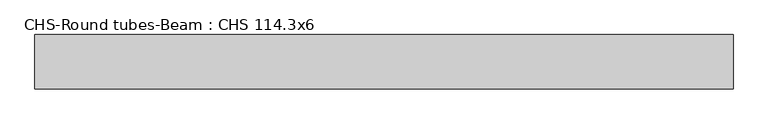
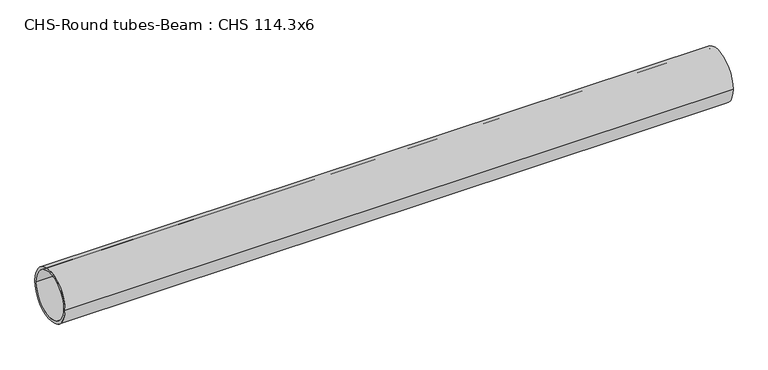
"""IFC4 building model written with IfcOpenShell, lengths in millimetres: beam geometry, CHS-Round tubes-Beam : CHS 114.3x6."""

from ifc_helpers import new_model, si_unit, point, frame, origin, origin_2d, place, context, project, spatial, circle_curve, trimmed, segment, composite_curve, outline, extrude, source, transform, mapped, element, save


def chs_round_tubes_beam_chs_114_3x6_262bc41e(model_context):
    return source(origin(), model_context, "Body", "SweptSolid", [
        extrude(outline(composite_curve([segment(trimmed(circle_curve(origin_2d(), 57.15), [point((57.15, 0.0))], [point((-57.15, 0.0))], False, "CARTESIAN"), True, "CONTINUOUS"), segment(trimmed(circle_curve(origin_2d(), 57.15), [point((-57.15, 0.0))], [point((57.15, 0.0))], False, "CARTESIAN"), True, "CONTINUOUS")], self_intersect=False), holes=[composite_curve([segment(trimmed(circle_curve(origin_2d(), 51.15), [point((51.15, 0.0))], [point((-51.15, 0.0))], True, "CARTESIAN"), True, "CONTINUOUS"), segment(trimmed(circle_curve(origin_2d(), 51.15), [point((-51.15, 0.0))], [point((51.15, 0.0))], True, "CARTESIAN"), True, "CONTINUOUS")], self_intersect=False)]), frame((-700.9440384, 0.0, 0.0), z_axis=(1.0, 0.0, 0.0), x_axis=(0.0, 1.0, 0.0)), (0.0, 0.0, 1.0), 1466.1881695),
    ])


if __name__ == "__main__":
    model = new_model("IFC4")
    model_context = context("Model", 3, world=origin())
    ifc_project = project(units=[si_unit("LENGTHUNIT", "METRE", prefix="MILLI")], contexts=[model_context])
    site = spatial("IfcSite", under=ifc_project)
    building = spatial("IfcBuilding", under=site)
    placement = place(None, origin())
    chs_round_tubes_beam_chs_114_3x6_shape = chs_round_tubes_beam_chs_114_3x6_262bc41e(model_context)
    element("IfcBeam", 1, ObjectType="CHS-Round tubes-Beam : CHS 114.3x6", at=placement, inside=building, context=model_context, shape_type="MappedRepresentation", body=[
        mapped(chs_round_tubes_beam_chs_114_3x6_shape, transform((0.0, 0.0, 0.0), x_axis=(1.0, 0.0, 0.0), y_axis=(0.0, 1.0, 0.0), z_axis=(0.0, 0.0, 1.0))),
    ])
    save(model, "model.ifc")
